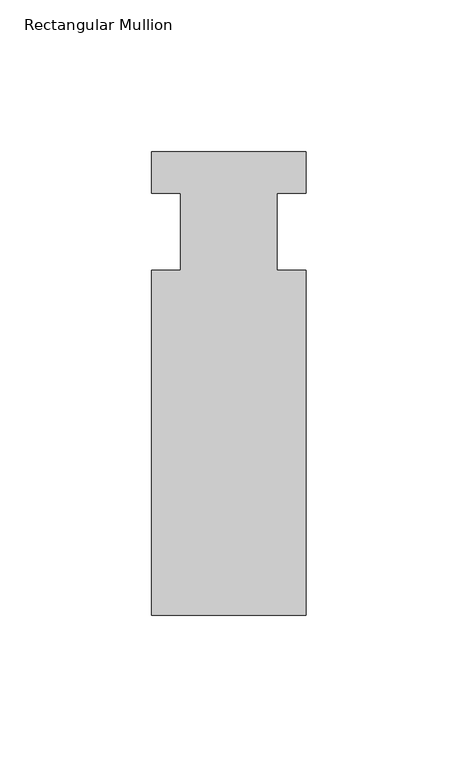
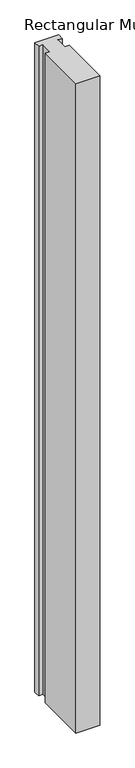
"""IFC4 building model written with IfcOpenShell, lengths in millimetres: member geometry, Rectangular Mullion."""

from ifc_helpers import new_model, si_unit, frame, origin, place, context, project, spatial, polyline, outline, extrude, source, transform, mapped, element, save


def rectangular_mullion_95d2b10c(model_context):
    return source(origin(), model_context, "Body", "SweptSolid", [
        extrude(outline(polyline([(-25.4, 26.19375), (25.4, 26.19375), (25.4, 12.7), (15.875, 12.7), (15.875, -12.7), (25.4, -12.7), (25.4, -126.20625), (-25.4, -126.20625), (-25.4, -12.7), (-15.875, -12.7), (-15.875, 12.7), (-25.4, 12.7), (-25.4, 26.19375)])), frame((0.0, 0.0, -1473.2), z_axis=(0.0, 0.0, 1.0), x_axis=(1.0, 0.0, 0.0)), (0.0, 0.0, 1.0), 1473.2),
    ])


if __name__ == "__main__":
    model = new_model("IFC4")
    model_context = context("Model", 3, world=origin())
    ifc_project = project(units=[si_unit("LENGTHUNIT", "METRE", prefix="MILLI")], contexts=[model_context])
    site = spatial("IfcSite", under=ifc_project)
    building = spatial("IfcBuilding", under=site)
    placement = place(None, origin())
    rectangular_mullion_shape = rectangular_mullion_95d2b10c(model_context)
    element("IfcMember", 1, ObjectType="Rectangular Mullion", at=placement, inside=building, context=model_context, shape_type="MappedRepresentation", body=[
        mapped(rectangular_mullion_shape, transform((0.0, 0.0, 0.0), x_axis=(1.0, 0.0, 0.0), y_axis=(0.0, 1.0, 0.0), z_axis=(0.0, 0.0, 1.0))),
    ])
    save(model, "model.ifc")
